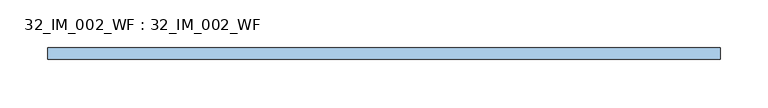
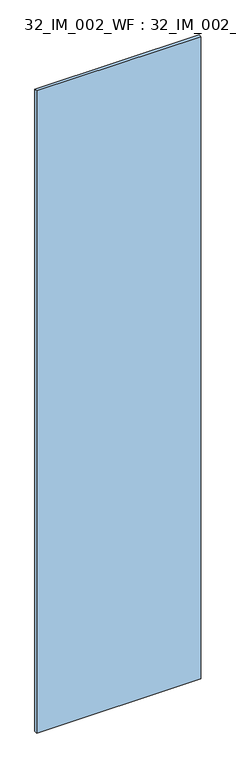
"""IFC4 building model written with IfcOpenShell, lengths in millimetres: window geometry, 32_IM_002_WF : 32_IM_002_WF."""

from ifc_helpers import new_model, si_unit, origin, origin_with_axes, place, context, project, spatial, polyline, outline, extrude, source, transform, mapped, element, save


def window_32_im_002_wf_32_im_002_wf_c90a18b5(model_context):
    return source(origin(), model_context, "Body", "SweptSolid", [
        extrude(outline(polyline([(351.0000002, -6.0), (-351.0000002, -6.0), (-351.0000002, 6.0), (351.0000002, 6.0), (351.0000002, -6.0)])), origin_with_axes(), (0.0, 0.0, 1.0), 2903.0),
    ])


if __name__ == "__main__":
    model = new_model("IFC4")
    model_context = context("Model", 3, world=origin())
    ifc_project = project(units=[si_unit("LENGTHUNIT", "METRE", prefix="MILLI")], contexts=[model_context])
    site = spatial("IfcSite", under=ifc_project)
    building = spatial("IfcBuilding", under=site)
    placement = place(None, origin())
    window_32_im_002_wf_32_im_002_wf_shape = window_32_im_002_wf_32_im_002_wf_c90a18b5(model_context)
    element("IfcWindow", 1, ObjectType="32_IM_002_WF : 32_IM_002_WF", at=placement, inside=building, context=model_context, shape_type="MappedRepresentation", body=[
        mapped(window_32_im_002_wf_32_im_002_wf_shape, transform((0.0, 0.0, 0.0), x_axis=(1.0, 0.0, 0.0), y_axis=(0.0, 1.0, 0.0), z_axis=(0.0, 0.0, 1.0))),
    ])
    save(model, "model.ifc")
